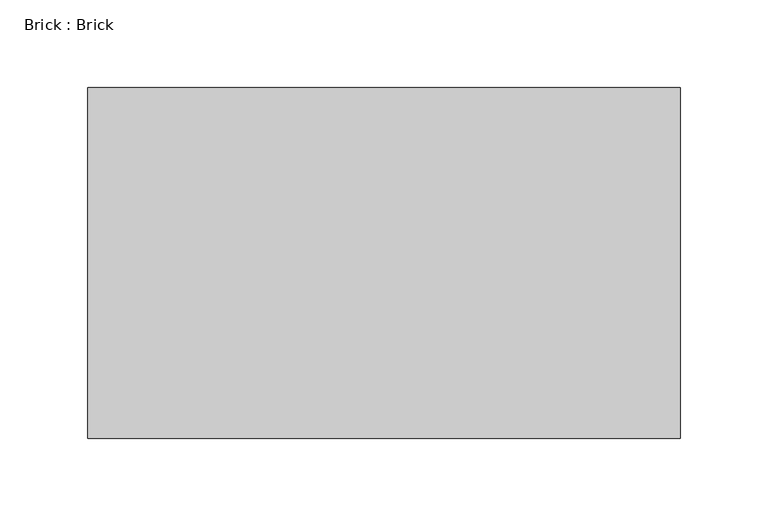
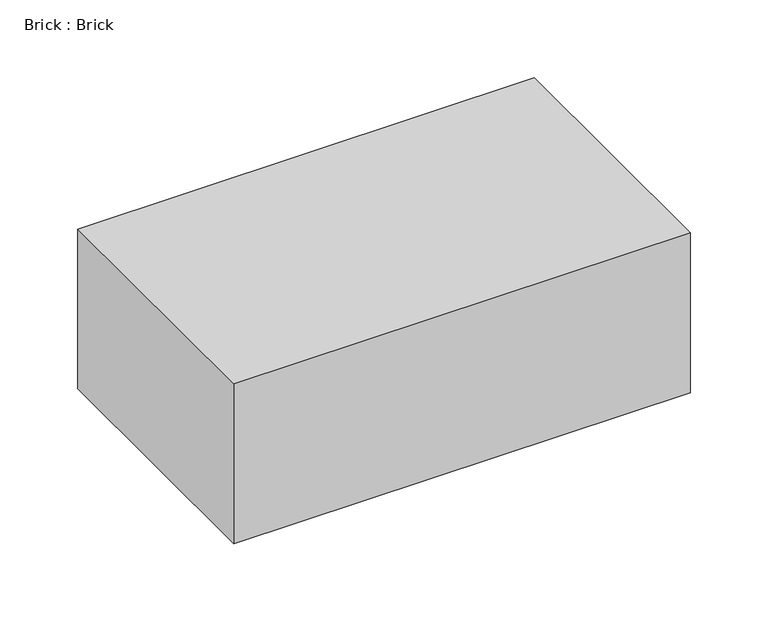
"""IFC4 building model written with IfcOpenShell, lengths in millimetres: proxy geometry, Brick : Brick."""

from ifc_helpers import new_model, si_unit, frame, origin, place, context, project, spatial, polyline, outline, extrude, source, transform, mapped, element, save


def brick_brick_358cc9eb(model_context):
    return source(origin(), model_context, "Body", "SweptSolid", [
        extrude(outline(polyline([(168.9, 100.0), (168.9, -100.0), (-168.9, -100.0), (-168.9, 100.0), (168.9, 100.0)])), frame((0.0, 0.0, -62.5), z_axis=(0.0, 0.0, 1.0), x_axis=(1.0, 0.0, 0.0)), (0.0, 0.0, 1.0), 125.0),
    ])


if __name__ == "__main__":
    model = new_model("IFC4")
    model_context = context("Model", 3, world=origin())
    ifc_project = project(units=[si_unit("LENGTHUNIT", "METRE", prefix="MILLI")], contexts=[model_context])
    site = spatial("IfcSite", under=ifc_project)
    building = spatial("IfcBuilding", under=site)
    placement = place(None, origin())
    brick_brick_shape = brick_brick_358cc9eb(model_context)
    element("IfcBuildingElementProxy", 1, Name="Brick : Brick", ObjectType="Brick : Brick", at=placement, inside=building, context=model_context, shape_type="MappedRepresentation", body=[
        mapped(brick_brick_shape, transform((0.0, 0.0, 0.0), x_axis=(1.0, 0.0, 0.0), y_axis=(0.0, 1.0, 0.0), z_axis=(0.0, 0.0, 1.0))),
    ])
    save(model, "model.ifc")
